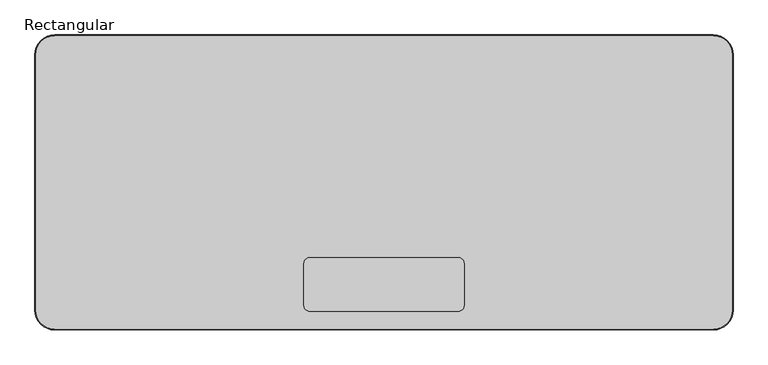
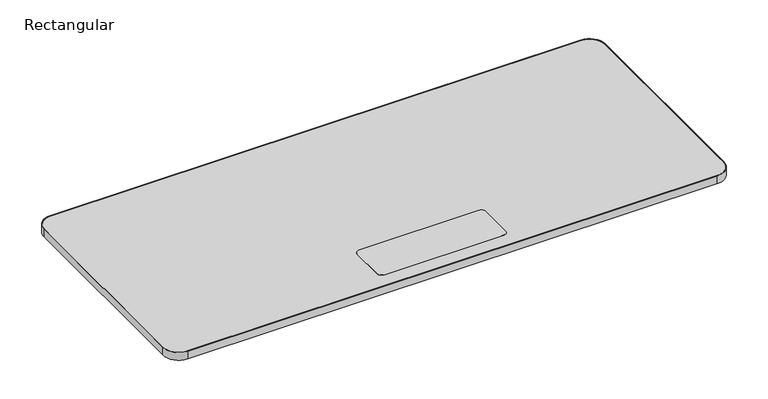
"""IFC4 building model written with IfcOpenShell, lengths in millimetres: furniture geometry, Rectangular."""

from ifc_helpers import new_model, si_unit, point, frame, frame_2d, origin, place, context, project, spatial, polyline, circle_curve, trimmed, segment, composite_curve, outline, extrude, source, transform, mapped, element, save


def rectangular_4db68660(model_context):
    return source(origin(), model_context, "Body", "SweptSolid", [
        extrude(outline(composite_curve([segment(trimmed(circle_curve(frame_2d((62.5, 100.0)), 50.0), [point((62.5, 50.0))], [point((12.5, 100.0))], False, "CARTESIAN"), True, "CONTINUOUS"), segment(polyline([(12.5, 100.0), (12.5, 750.0)]), True, "CONTINUOUS"), segment(trimmed(circle_curve(frame_2d((62.5, 750.0)), 50.0), [point((12.5, 750.0))], [point((62.5, 800.0))], False, "CARTESIAN"), True, "CONTINUOUS"), segment(polyline([(62.5, 800.0), (1737.5, 800.0)]), True, "CONTINUOUS"), segment(trimmed(circle_curve(frame_2d((1737.5, 750.0)), 50.0), [point((1737.5, 800.0))], [point((1787.5, 750.0))], False, "CARTESIAN"), True, "CONTINUOUS"), segment(polyline([(1787.5, 750.0), (1787.5, 100.0)]), True, "CONTINUOUS"), segment(trimmed(circle_curve(frame_2d((1737.5, 100.0)), 50.0), [point((1787.5, 100.0))], [point((1737.5, 50.0))], False, "CARTESIAN"), True, "CONTINUOUS"), segment(polyline([(1737.5, 50.0), (62.5, 50.0)]), True, "CONTINUOUS")], self_intersect=False), holes=[composite_curve([segment(polyline([(62.5, 52.0), (1737.5, 52.0)]), True, "CONTINUOUS"), segment(trimmed(circle_curve(frame_2d((1737.5, 100.0)), 48.0), [point((1737.5, 52.0))], [point((1785.5, 100.0))], True, "CARTESIAN"), True, "CONTINUOUS"), segment(polyline([(1785.5, 100.0), (1785.5, 750.0)]), True, "CONTINUOUS"), segment(trimmed(circle_curve(frame_2d((1737.5, 750.0)), 48.0), [point((1785.5, 750.0))], [point((1737.5, 798.0))], True, "CARTESIAN"), True, "CONTINUOUS"), segment(polyline([(1737.5, 798.0), (62.5, 798.0)]), True, "CONTINUOUS"), segment(trimmed(circle_curve(frame_2d((62.5, 750.0)), 48.0), [point((62.5, 798.0))], [point((14.5, 750.0))], True, "CARTESIAN"), True, "CONTINUOUS"), segment(polyline([(14.5, 750.0), (14.5, 100.0)]), True, "CONTINUOUS"), segment(trimmed(circle_curve(frame_2d((62.5, 100.0)), 48.0), [point((14.5, 100.0))], [point((62.5, 52.0))], True, "CARTESIAN"), True, "CONTINUOUS")], self_intersect=False)]), frame((0.0, 0.0, 695.0), z_axis=(0.0, 0.0, 1.0), x_axis=(1.0, 0.0, 0.0)), (0.0, 0.0, 1.0), 25.5),
        extrude(outline(composite_curve([segment(polyline([(1088.5, 97.0), (711.5, 97.0)]), True, "CONTINUOUS"), segment(trimmed(circle_curve(frame_2d((711.5, 112.0)), 15.0), [point((711.5, 97.0))], [point((696.5, 112.0))], False, "CARTESIAN"), True, "CONTINUOUS"), segment(polyline([(696.5, 112.0), (696.5, 219.0)]), True, "CONTINUOUS"), segment(trimmed(circle_curve(frame_2d((711.5, 219.0)), 15.0), [point((696.5, 219.0))], [point((711.5, 234.0))], False, "CARTESIAN"), True, "CONTINUOUS"), segment(polyline([(711.5, 234.0), (1088.5, 234.0)]), True, "CONTINUOUS"), segment(trimmed(circle_curve(frame_2d((1088.5, 219.0)), 15.0), [point((1088.5, 234.0))], [point((1103.5, 219.0))], False, "CARTESIAN"), True, "CONTINUOUS"), segment(polyline([(1103.5, 219.0), (1103.5, 112.0)]), True, "CONTINUOUS"), segment(trimmed(circle_curve(frame_2d((1088.5, 112.0)), 15.0), [point((1103.5, 112.0))], [point((1088.5, 97.0))], False, "CARTESIAN"), True, "CONTINUOUS")], self_intersect=False)), frame((0.0, 0.0, 720.0), z_axis=(0.0, 0.0, 1.0), x_axis=(1.0, 0.0, 0.0)), (0.0, 0.0, 1.0), 0.5),
        extrude(outline(composite_curve([segment(trimmed(circle_curve(frame_2d((62.5, 100.0)), 48.0), [point((62.5, 52.0))], [point((14.5, 100.0))], False, "CARTESIAN"), True, "CONTINUOUS"), segment(polyline([(14.5, 100.0), (14.5, 750.0)]), True, "CONTINUOUS"), segment(trimmed(circle_curve(frame_2d((62.5, 750.0)), 48.0), [point((14.5, 750.0))], [point((62.5, 798.0))], False, "CARTESIAN"), True, "CONTINUOUS"), segment(polyline([(62.5, 798.0), (1737.5, 798.0)]), True, "CONTINUOUS"), segment(trimmed(circle_curve(frame_2d((1737.5, 750.0)), 48.0), [point((1737.5, 798.0))], [point((1785.5, 750.0))], False, "CARTESIAN"), True, "CONTINUOUS"), segment(polyline([(1785.5, 750.0), (1785.5, 100.0)]), True, "CONTINUOUS"), segment(trimmed(circle_curve(frame_2d((1737.5, 100.0)), 48.0), [point((1785.5, 100.0))], [point((1737.5, 52.0))], False, "CARTESIAN"), True, "CONTINUOUS"), segment(polyline([(1737.5, 52.0), (62.5, 52.0)]), True, "CONTINUOUS")], self_intersect=False)), frame((0.0, 0.0, 695.0), z_axis=(0.0, 0.0, 1.0), x_axis=(1.0, 0.0, 0.0)), (0.0, 0.0, 1.0), 25.0),
    ])


if __name__ == "__main__":
    model = new_model("IFC4")
    model_context = context("Model", 3, world=origin())
    ifc_project = project(units=[si_unit("LENGTHUNIT", "METRE", prefix="MILLI")], contexts=[model_context])
    site = spatial("IfcSite", under=ifc_project)
    building = spatial("IfcBuilding", under=site)
    placement = place(None, origin())
    rectangular_shape = rectangular_4db68660(model_context)
    element("IfcFurniture", 1, ObjectType="Rectangular", at=placement, inside=building, context=model_context, shape_type="MappedRepresentation", body=[
        mapped(rectangular_shape, transform((0.0, 0.0, 0.0), x_axis=(1.0, 0.0, 0.0), y_axis=(0.0, 1.0, 0.0), z_axis=(0.0, 0.0, 1.0))),
    ])
    save(model, "model.ifc")
